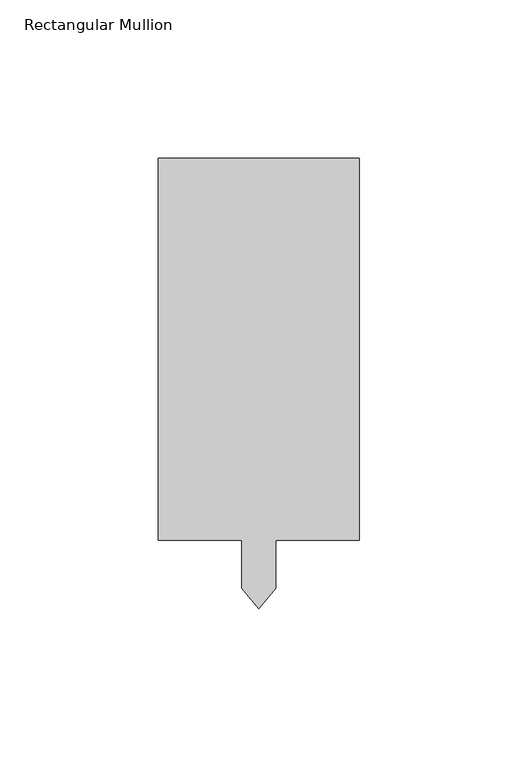
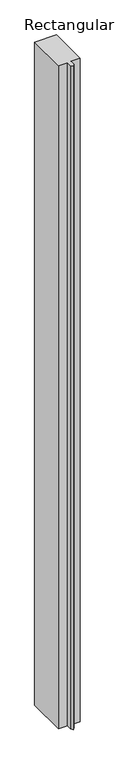
"""IFC4 building model written with IfcOpenShell, lengths in millimetres: member geometry, Rectangular Mullion."""

from ifc_helpers import new_model, si_unit, frame, origin, place, context, project, spatial, polyline, outline, extrude, source, transform, mapped, element, save


def rectangular_mullion_2e63b46b(model_context):
    return source(origin(), model_context, "Body", "SweptSolid", [
        extrude(outline(polyline([(31.75, 152.4), (31.75, 31.75), (5.3213, 31.75), (5.3213, 16.5462869), (0.0, 10.2046085), (-5.3213, 16.5462869), (-5.3213, 31.75), (-31.75, 31.75), (-31.75, 152.4), (31.75, 152.4)])), frame((0.0, 0.0, -2057.4000001), z_axis=(0.0, 0.0, 1.0), x_axis=(1.0, 0.0, 0.0)), (0.0, 0.0, 1.0), 2057.4000001),
    ])


if __name__ == "__main__":
    model = new_model("IFC4")
    model_context = context("Model", 3, world=origin())
    ifc_project = project(units=[si_unit("LENGTHUNIT", "METRE", prefix="MILLI")], contexts=[model_context])
    site = spatial("IfcSite", under=ifc_project)
    building = spatial("IfcBuilding", under=site)
    placement = place(None, origin())
    rectangular_mullion_shape = rectangular_mullion_2e63b46b(model_context)
    element("IfcMember", 1, ObjectType="Rectangular Mullion", at=placement, inside=building, context=model_context, shape_type="MappedRepresentation", body=[
        mapped(rectangular_mullion_shape, transform((0.0, 0.0, 0.0), x_axis=(1.0, 0.0, 0.0), y_axis=(0.0, 1.0, 0.0), z_axis=(0.0, 0.0, 1.0))),
    ])
    save(model, "model.ifc")
